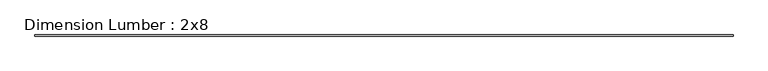
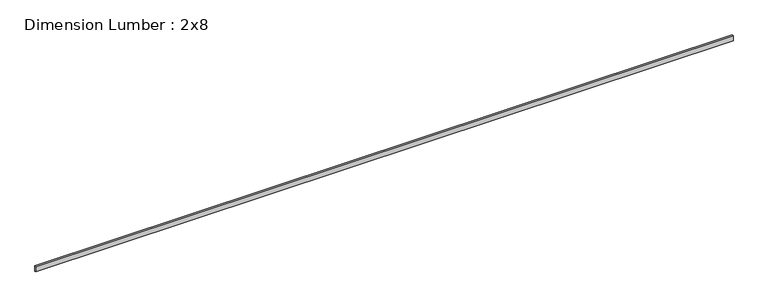
"""IFC4 building model written with IfcOpenShell, lengths in millimetres: beam geometry, Dimension Lumber : 2x8."""

from ifc_helpers import new_model, si_unit, frame, origin, place, context, project, spatial, polyline, outline, extrude, source, transform, mapped, element, save


def dimension_lumber_2x8_e3188fec(model_context):
    return source(origin(), model_context, "Body", "SweptSolid", [
        extrude(outline(polyline([(11273.4803286, 19.05), (11273.4803286, -19.05), (-11273.4803286, -19.05), (-11273.4803286, 19.05), (11273.4803286, 19.05)])), frame((0.0, 0.0, -92.075), z_axis=(0.0, 0.0, 1.0), x_axis=(1.0, 0.0, 0.0)), (0.0, 0.0, 1.0), 184.15),
    ])


if __name__ == "__main__":
    model = new_model("IFC4")
    model_context = context("Model", 3, world=origin())
    ifc_project = project(units=[si_unit("LENGTHUNIT", "METRE", prefix="MILLI")], contexts=[model_context])
    site = spatial("IfcSite", under=ifc_project)
    building = spatial("IfcBuilding", under=site)
    placement = place(None, origin())
    dimension_lumber_2x8_shape = dimension_lumber_2x8_e3188fec(model_context)
    element("IfcBeam", 1, ObjectType="Dimension Lumber : 2x8", at=placement, inside=building, context=model_context, shape_type="MappedRepresentation", body=[
        mapped(dimension_lumber_2x8_shape, transform((0.0, 0.0, 0.0), x_axis=(1.0, 0.0, 0.0), y_axis=(0.0, 1.0, 0.0), z_axis=(0.0, 0.0, 1.0))),
    ])
    save(model, "model.ifc")
